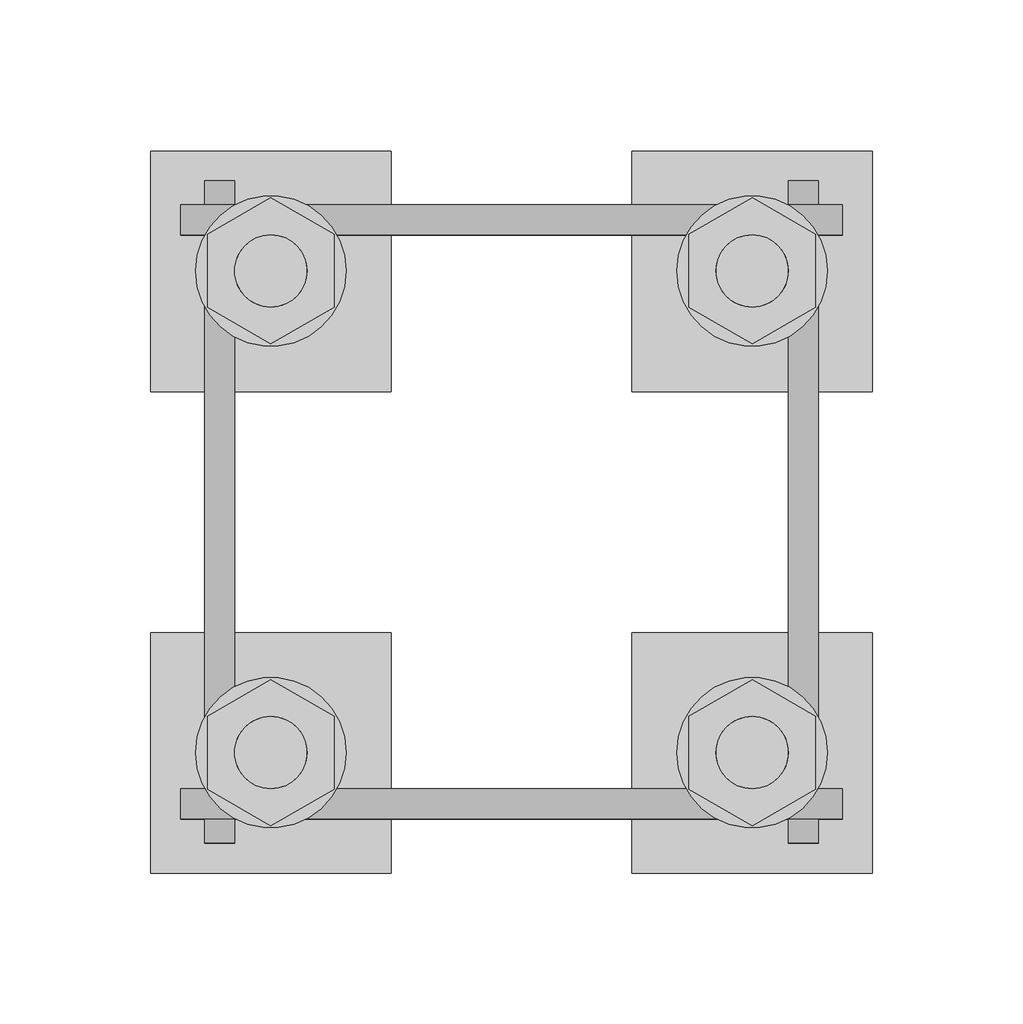
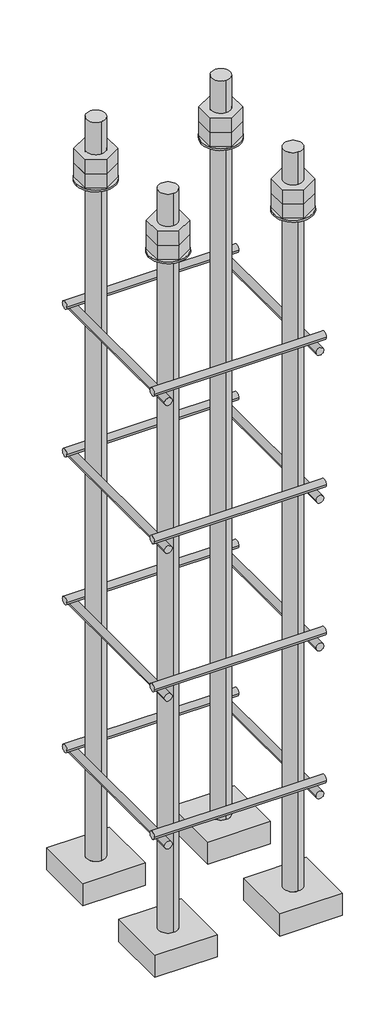
# One storey, part 16 of 66: 1 fastener.
"""IFC4 building model written with IfcOpenShell, lengths in millimetres."""

from ifc_helpers import new_model, si_unit, point, frame, frame_2d, origin, place, context, project, spatial, polyline, circle_curve, trimmed, segment, composite_curve, outline, extrude, element, save
from ifc_brep_helpers import plane_surface, cylinder_surface, advanced_brep

model = new_model("IFC4")

# Units and contexts
model_context = context("Model", 3, world=origin())
ifc_project = project(units=[si_unit("LENGTHUNIT", "METRE", prefix="MILLI")], contexts=[model_context])

# Site, building, storey
site = spatial("IfcSite", under=ifc_project)
building = spatial("IfcBuilding", under=site)
storey = spatial("IfcBuildingStorey", under=building, Elevation=9070.0)

# Fastener
placement = place(None, origin())
element("IfcFastener", 1, ObjectType="AU1 : AU-01", at=placement, inside=storey, context=model_context, shape_type="SolidModel", body=[
    extrude(outline(composite_curve([segment(trimmed(circle_curve(frame_2d((11343.0, 8595.0)), 5.0), [point((11338.0, 8595.0))], [point((11348.0, 8595.0))], False, "CARTESIAN"), True, "CONTINUOUS"), segment(trimmed(circle_curve(frame_2d((11343.0, 8595.0)), 5.0), [point((11348.0, 8595.0))], [point((11338.0, 8595.0))], False, "CARTESIAN"), True, "CONTINUOUS")], self_intersect=False)), frame((35040.0, 0.0, 0.0), z_axis=(1.0, 0.0, 0.0), x_axis=(0.0, 1.0, 0.0)), (0.0, 0.0, 1.0), 220.0),
    extrude(outline(composite_curve([segment(trimmed(circle_curve(frame_2d((11537.0, 8595.0)), 5.0), [point((11542.0, 8595.0))], [point((11532.0, 8595.0))], False, "CARTESIAN"), True, "CONTINUOUS"), segment(trimmed(circle_curve(frame_2d((11537.0, 8595.0)), 5.0), [point((11532.0, 8595.0))], [point((11542.0, 8595.0))], False, "CARTESIAN"), True, "CONTINUOUS")], self_intersect=False)), frame((35040.0, 0.0, 0.0), z_axis=(1.0, 0.0, 0.0), x_axis=(0.0, 1.0, 0.0)), (0.0, 0.0, 1.0), 220.0),
    extrude(outline(composite_curve([segment(trimmed(circle_curve(frame_2d((8585.0, 35053.0)), 5.0), [point((8585.0, 35048.0))], [point((8585.0, 35058.0))], False, "CARTESIAN"), True, "CONTINUOUS"), segment(trimmed(circle_curve(frame_2d((8585.0, 35053.0)), 5.0), [point((8585.0, 35058.0))], [point((8585.0, 35048.0))], False, "CARTESIAN"), True, "CONTINUOUS")], self_intersect=False)), frame((0.0, 11330.0, 0.0), z_axis=(0.0, 1.0, 0.0), x_axis=(0.0, 0.0, 1.0)), (0.0, 0.0, 1.0), 220.0),
    extrude(outline(composite_curve([segment(trimmed(circle_curve(frame_2d((8585.0, 35247.0)), 5.0), [point((8585.0, 35252.0))], [point((8585.0, 35242.0))], False, "CARTESIAN"), True, "CONTINUOUS"), segment(trimmed(circle_curve(frame_2d((8585.0, 35247.0)), 5.0), [point((8585.0, 35242.0))], [point((8585.0, 35252.0))], False, "CARTESIAN"), True, "CONTINUOUS")], self_intersect=False)), frame((0.0, 11330.0, 0.0), z_axis=(0.0, 1.0, 0.0), x_axis=(0.0, 0.0, 1.0)), (0.0, 0.0, 1.0), 220.0),
    extrude(outline(composite_curve([segment(trimmed(circle_curve(frame_2d((11343.0, 8795.0)), 5.0), [point((11338.0, 8795.0))], [point((11348.0, 8795.0))], False, "CARTESIAN"), True, "CONTINUOUS"), segment(trimmed(circle_curve(frame_2d((11343.0, 8795.0)), 5.0), [point((11348.0, 8795.0))], [point((11338.0, 8795.0))], False, "CARTESIAN"), True, "CONTINUOUS")], self_intersect=False)), frame((35040.0, 0.0, 0.0), z_axis=(1.0, 0.0, 0.0), x_axis=(0.0, 1.0, 0.0)), (0.0, 0.0, 1.0), 220.0),
    extrude(outline(composite_curve([segment(trimmed(circle_curve(frame_2d((11537.0, 8795.0)), 5.0), [point((11542.0, 8795.0))], [point((11532.0, 8795.0))], False, "CARTESIAN"), True, "CONTINUOUS"), segment(trimmed(circle_curve(frame_2d((11537.0, 8795.0)), 5.0), [point((11532.0, 8795.0))], [point((11542.0, 8795.0))], False, "CARTESIAN"), True, "CONTINUOUS")], self_intersect=False)), frame((35040.0, 0.0, 0.0), z_axis=(1.0, 0.0, 0.0), x_axis=(0.0, 1.0, 0.0)), (0.0, 0.0, 1.0), 220.0),
    extrude(outline(composite_curve([segment(trimmed(circle_curve(frame_2d((8785.0, 35053.0)), 5.0), [point((8785.0, 35048.0))], [point((8785.0, 35058.0))], False, "CARTESIAN"), True, "CONTINUOUS"), segment(trimmed(circle_curve(frame_2d((8785.0, 35053.0)), 5.0), [point((8785.0, 35058.0))], [point((8785.0, 35048.0))], False, "CARTESIAN"), True, "CONTINUOUS")], self_intersect=False)), frame((0.0, 11330.0, 0.0), z_axis=(0.0, 1.0, 0.0), x_axis=(0.0, 0.0, 1.0)), (0.0, 0.0, 1.0), 220.0),
    extrude(outline(composite_curve([segment(trimmed(circle_curve(frame_2d((8785.0, 35247.0)), 5.0), [point((8785.0, 35252.0))], [point((8785.0, 35242.0))], False, "CARTESIAN"), True, "CONTINUOUS"), segment(trimmed(circle_curve(frame_2d((8785.0, 35247.0)), 5.0), [point((8785.0, 35242.0))], [point((8785.0, 35252.0))], False, "CARTESIAN"), True, "CONTINUOUS")], self_intersect=False)), frame((0.0, 11330.0, 0.0), z_axis=(0.0, 1.0, 0.0), x_axis=(0.0, 0.0, 1.0)), (0.0, 0.0, 1.0), 220.0),
    extrude(outline(composite_curve([segment(trimmed(circle_curve(frame_2d((11343.0, 8995.0)), 5.0), [point((11338.0, 8995.0))], [point((11348.0, 8995.0))], False, "CARTESIAN"), True, "CONTINUOUS"), segment(trimmed(circle_curve(frame_2d((11343.0, 8995.0)), 5.0), [point((11348.0, 8995.0))], [point((11338.0, 8995.0))], False, "CARTESIAN"), True, "CONTINUOUS")], self_intersect=False)), frame((35040.0, 0.0, 0.0), z_axis=(1.0, 0.0, 0.0), x_axis=(0.0, 1.0, 0.0)), (0.0, 0.0, 1.0), 220.0),
    extrude(outline(composite_curve([segment(trimmed(circle_curve(frame_2d((11537.0, 8995.0)), 5.0), [point((11542.0, 8995.0))], [point((11532.0, 8995.0))], False, "CARTESIAN"), True, "CONTINUOUS"), segment(trimmed(circle_curve(frame_2d((11537.0, 8995.0)), 5.0), [point((11532.0, 8995.0))], [point((11542.0, 8995.0))], False, "CARTESIAN"), True, "CONTINUOUS")], self_intersect=False)), frame((35040.0, 0.0, 0.0), z_axis=(1.0, 0.0, 0.0), x_axis=(0.0, 1.0, 0.0)), (0.0, 0.0, 1.0), 220.0),
    extrude(outline(composite_curve([segment(trimmed(circle_curve(frame_2d((8985.0, 35053.0)), 5.0), [point((8985.0, 35048.0))], [point((8985.0, 35058.0))], False, "CARTESIAN"), True, "CONTINUOUS"), segment(trimmed(circle_curve(frame_2d((8985.0, 35053.0)), 5.0), [point((8985.0, 35058.0))], [point((8985.0, 35048.0))], False, "CARTESIAN"), True, "CONTINUOUS")], self_intersect=False)), frame((0.0, 11330.0, 0.0), z_axis=(0.0, 1.0, 0.0), x_axis=(0.0, 0.0, 1.0)), (0.0, 0.0, 1.0), 220.0),
    extrude(outline(composite_curve([segment(trimmed(circle_curve(frame_2d((8985.0, 35247.0)), 5.0), [point((8985.0, 35252.0))], [point((8985.0, 35242.0))], False, "CARTESIAN"), True, "CONTINUOUS"), segment(trimmed(circle_curve(frame_2d((8985.0, 35247.0)), 5.0), [point((8985.0, 35242.0))], [point((8985.0, 35252.0))], False, "CARTESIAN"), True, "CONTINUOUS")], self_intersect=False)), frame((0.0, 11330.0, 0.0), z_axis=(0.0, 1.0, 0.0), x_axis=(0.0, 0.0, 1.0)), (0.0, 0.0, 1.0), 220.0),
    extrude(outline(composite_curve([segment(trimmed(circle_curve(frame_2d((11343.0, 9195.0)), 5.0), [point((11338.0, 9195.0))], [point((11348.0, 9195.0))], False, "CARTESIAN"), True, "CONTINUOUS"), segment(trimmed(circle_curve(frame_2d((11343.0, 9195.0)), 5.0), [point((11348.0, 9195.0))], [point((11338.0, 9195.0))], False, "CARTESIAN"), True, "CONTINUOUS")], self_intersect=False)), frame((35040.0, 0.0, 0.0), z_axis=(1.0, 0.0, 0.0), x_axis=(0.0, 1.0, 0.0)), (0.0, 0.0, 1.0), 220.0),
    extrude(outline(composite_curve([segment(trimmed(circle_curve(frame_2d((11537.0, 9195.0)), 5.0), [point((11542.0, 9195.0))], [point((11532.0, 9195.0))], False, "CARTESIAN"), True, "CONTINUOUS"), segment(trimmed(circle_curve(frame_2d((11537.0, 9195.0)), 5.0), [point((11532.0, 9195.0))], [point((11542.0, 9195.0))], False, "CARTESIAN"), True, "CONTINUOUS")], self_intersect=False)), frame((35040.0, 0.0, 0.0), z_axis=(1.0, 0.0, 0.0), x_axis=(0.0, 1.0, 0.0)), (0.0, 0.0, 1.0), 220.0),
    extrude(outline(composite_curve([segment(trimmed(circle_curve(frame_2d((9185.0, 35053.0)), 5.0), [point((9185.0, 35048.0))], [point((9185.0, 35058.0))], False, "CARTESIAN"), True, "CONTINUOUS"), segment(trimmed(circle_curve(frame_2d((9185.0, 35053.0)), 5.0), [point((9185.0, 35058.0))], [point((9185.0, 35048.0))], False, "CARTESIAN"), True, "CONTINUOUS")], self_intersect=False)), frame((0.0, 11330.0, 0.0), z_axis=(0.0, 1.0, 0.0), x_axis=(0.0, 0.0, 1.0)), (0.0, 0.0, 1.0), 220.0),
    extrude(outline(composite_curve([segment(trimmed(circle_curve(frame_2d((9185.0, 35247.0)), 5.0), [point((9185.0, 35252.0))], [point((9185.0, 35242.0))], False, "CARTESIAN"), True, "CONTINUOUS"), segment(trimmed(circle_curve(frame_2d((9185.0, 35247.0)), 5.0), [point((9185.0, 35242.0))], [point((9185.0, 35252.0))], False, "CARTESIAN"), True, "CONTINUOUS")], self_intersect=False)), frame((0.0, 11330.0, 0.0), z_axis=(0.0, 1.0, 0.0), x_axis=(0.0, 0.0, 1.0)), (0.0, 0.0, 1.0), 220.0),
    advanced_brep(
    [(35110.0, 11560.0, 8450.0), (35030.0, 11560.0, 8450.0), (35030.0, 11480.0, 8450.0), (35110.0, 11480.0, 8450.0), (35070.0, 11508.0, 8450.0), (35070.0, 11532.0, 8450.0), (35110.0, 11560.0, 8420.0), (35110.0, 11480.0, 8420.0), (35030.0, 11480.0, 8420.0), (35030.0, 11560.0, 8420.0), (35070.0, 11532.0, 9450.0), (35070.0, 11508.0, 9450.0)],
    [
        (0, 1),
        (1, 2),
        (2, 3),
        (3, 0),
        (4, 5, circle_curve(frame((35070.0, 11520.0, 8450.0), z_axis=(0.0, 0.0, -1.0), x_axis=(0.0, -1.0, 0.0)), 12.0)),
        (5, 4, circle_curve(frame((35070.0, 11520.0, 8450.0), z_axis=(0.0, 0.0, -1.0), x_axis=(0.0, -1.0, 0.0)), 12.0)),
        (6, 7),
        (7, 8),
        (8, 9),
        (9, 6),
        (0, 6),
        (9, 1),
        (8, 2),
        (7, 3),
        (10, 11, circle_curve(frame((35070.0, 11520.0, 9450.0), z_axis=(0.0, 0.0, 1.0), x_axis=(0.0, -1.0, 0.0)), 12.0)),
        (11, 10, circle_curve(frame((35070.0, 11520.0, 9450.0), z_axis=(0.0, 0.0, 1.0), x_axis=(0.0, -1.0, 0.0)), 12.0)),
        (10, 5),
        (4, 11),
    ],
    [
        plane_surface(frame((35030.0, 11560.0, 8450.0), z_axis=(0.0, 0.0, 1.0), x_axis=(-1.0, 0.0, 0.0))),
        plane_surface(frame((35030.0, 11560.0, 8420.0), z_axis=(0.0, 0.0, -1.0), x_axis=(1.0, 0.0, 0.0))),
        plane_surface(frame((35110.0, 11560.0, 8450.0), z_axis=(0.0, 1.0, 0.0), x_axis=(0.0, 0.0, -1.0))),
        plane_surface(frame((35030.0, 11560.0, 8450.0), z_axis=(-1.0, 0.0, 0.0), x_axis=(0.0, 0.0, -1.0))),
        plane_surface(frame((35030.0, 11480.0, 8450.0), z_axis=(0.0, -1.0, 0.0), x_axis=(0.0, 0.0, -1.0))),
        plane_surface(frame((35110.0, 11480.0, 8450.0), z_axis=(1.0, 0.0, 0.0), x_axis=(0.0, 0.0, -1.0))),
        plane_surface(frame((35070.0, 11520.0, 9450.0), z_axis=(0.0, 0.0, 1.0), x_axis=(0.0, -1.0, 0.0))),
        cylinder_surface(frame((35070.0, 11520.0, 9450.0), z_axis=(0.0, 0.0, 1.0), x_axis=(0.0, -1.0, 0.0)), 12.0),
    ],
    [
        (0, [[1, 2, 3, 4], [5, 6]]),
        (1, [[7, 8, 9, 10]]),
        (2, [[-1, 11, -10, 12]]),
        (3, [[-2, -12, -9, 13]]),
        (4, [[-3, -13, -8, 14]]),
        (5, [[-4, -14, -7, -11]]),
        (6, [[15, 16]]),
        (7, [[-15, 17, -5, 18]]),
        (7, [[-16, -18, -6, -17]]),
    ],
),
    extrude(outline(composite_curve([segment(trimmed(circle_curve(frame_2d((35070.0, 11520.0)), 25.0), [point((35095.0, 11520.0))], [point((35045.0, 11520.0))], False, "CARTESIAN"), True, "CONTINUOUS"), segment(trimmed(circle_curve(frame_2d((35070.0, 11520.0)), 25.0), [point((35045.0, 11520.0))], [point((35095.0, 11520.0))], False, "CARTESIAN"), True, "CONTINUOUS")], self_intersect=False), holes=[composite_curve([segment(trimmed(circle_curve(frame_2d((35070.0, 11520.0)), 12.0), [point((35082.0, 11520.0))], [point((35058.0, 11520.0))], True, "CARTESIAN"), True, "CONTINUOUS"), segment(trimmed(circle_curve(frame_2d((35070.0, 11520.0)), 12.0), [point((35058.0, 11520.0))], [point((35082.0, 11520.0))], True, "CARTESIAN"), True, "CONTINUOUS")], self_intersect=False)]), frame((0.0, 0.0, 9365.0), z_axis=(0.0, 0.0, 1.0), x_axis=(1.0, 0.0, 0.0)), (0.0, 0.0, 1.0), 2.5),
    extrude(outline(polyline([(35070.0, 11544.2487113), (35091.0, 11532.1243557), (35091.0, 11507.8756443), (35070.0, 11495.7512887), (35049.0, 11507.8756443), (35049.0, 11532.1243557), (35070.0, 11544.2487113)]), holes=[composite_curve([segment(trimmed(circle_curve(frame_2d((35070.0, 11520.0)), 12.0), [point((35082.0, 11520.0))], [point((35058.0, 11520.0))], True, "CARTESIAN"), True, "CONTINUOUS"), segment(trimmed(circle_curve(frame_2d((35070.0, 11520.0)), 12.0), [point((35058.0, 11520.0))], [point((35082.0, 11520.0))], True, "CARTESIAN"), True, "CONTINUOUS")], self_intersect=False)]), frame((0.0, 0.0, 9387.0), z_axis=(0.0, 0.0, 1.0), x_axis=(1.0, 0.0, 0.0)), (0.0, 0.0, 1.0), 19.5),
    extrude(outline(polyline([(35070.0, 11544.2487113), (35091.0, 11532.1243557), (35091.0, 11507.8756443), (35070.0, 11495.7512887), (35049.0, 11507.8756443), (35049.0, 11532.1243557), (35070.0, 11544.2487113)]), holes=[composite_curve([segment(trimmed(circle_curve(frame_2d((35070.0, 11520.0)), 12.0), [point((35082.0, 11520.0))], [point((35058.0, 11520.0))], True, "CARTESIAN"), True, "CONTINUOUS"), segment(trimmed(circle_curve(frame_2d((35070.0, 11520.0)), 12.0), [point((35058.0, 11520.0))], [point((35082.0, 11520.0))], True, "CARTESIAN"), True, "CONTINUOUS")], self_intersect=False)]), frame((0.0, 0.0, 9367.5), z_axis=(0.0, 0.0, 1.0), x_axis=(1.0, 0.0, 0.0)), (0.0, 0.0, 1.0), 19.5),
    advanced_brep(
    [(35190.0, 11480.0, 8450.0), (35270.0, 11480.0, 8450.0), (35270.0, 11560.0, 8450.0), (35190.0, 11560.0, 8450.0), (35230.0, 11532.0, 8450.0), (35230.0, 11508.0, 8450.0), (35190.0, 11480.0, 8420.0), (35190.0, 11560.0, 8420.0), (35270.0, 11560.0, 8420.0), (35270.0, 11480.0, 8420.0), (35230.0, 11508.0, 9450.0), (35230.0, 11532.0, 9450.0)],
    [
        (0, 1),
        (1, 2),
        (2, 3),
        (3, 0),
        (4, 5, circle_curve(frame((35230.0, 11520.0, 8450.0), z_axis=(0.0, 0.0, -1.0), x_axis=(0.0, 1.0, 0.0)), 12.0)),
        (5, 4, circle_curve(frame((35230.0, 11520.0, 8450.0), z_axis=(0.0, 0.0, -1.0), x_axis=(0.0, 1.0, 0.0)), 12.0)),
        (6, 7),
        (7, 8),
        (8, 9),
        (9, 6),
        (0, 6),
        (9, 1),
        (8, 2),
        (7, 3),
        (10, 11, circle_curve(frame((35230.0, 11520.0, 9450.0), z_axis=(0.0, 0.0, 1.0), x_axis=(0.0, 1.0, 0.0)), 12.0)),
        (11, 10, circle_curve(frame((35230.0, 11520.0, 9450.0), z_axis=(0.0, 0.0, 1.0), x_axis=(0.0, 1.0, 0.0)), 12.0)),
        (10, 5),
        (4, 11),
    ],
    [
        plane_surface(frame((35270.0, 11480.0, 8450.0), z_axis=(0.0, 0.0, 1.0), x_axis=(1.0, 0.0, 0.0))),
        plane_surface(frame((35270.0, 11480.0, 8420.0), z_axis=(0.0, 0.0, -1.0), x_axis=(-1.0, 0.0, 0.0))),
        plane_surface(frame((35190.0, 11480.0, 8450.0), z_axis=(0.0, -1.0, 0.0), x_axis=(0.0, 0.0, -1.0))),
        plane_surface(frame((35270.0, 11480.0, 8450.0), z_axis=(1.0, 0.0, 0.0), x_axis=(0.0, 0.0, -1.0))),
        plane_surface(frame((35270.0, 11560.0, 8450.0), z_axis=(0.0, 1.0, 0.0), x_axis=(0.0, 0.0, -1.0))),
        plane_surface(frame((35190.0, 11560.0, 8450.0), z_axis=(-1.0, 0.0, 0.0), x_axis=(0.0, 0.0, -1.0))),
        plane_surface(frame((35230.0, 11520.0, 9450.0), z_axis=(0.0, 0.0, 1.0), x_axis=(0.0, 1.0, 0.0))),
        cylinder_surface(frame((35230.0, 11520.0, 9450.0), z_axis=(0.0, 0.0, 1.0), x_axis=(0.0, 1.0, 0.0)), 12.0),
    ],
    [
        (0, [[1, 2, 3, 4], [5, 6]]),
        (1, [[7, 8, 9, 10]]),
        (2, [[-1, 11, -10, 12]]),
        (3, [[-2, -12, -9, 13]]),
        (4, [[-3, -13, -8, 14]]),
        (5, [[-4, -14, -7, -11]]),
        (6, [[15, 16]]),
        (7, [[-15, 17, -5, 18]]),
        (7, [[-16, -18, -6, -17]]),
    ],
),
    extrude(outline(composite_curve([segment(trimmed(circle_curve(frame_2d((35230.0, 11520.0)), 25.0), [point((35205.0, 11520.0))], [point((35255.0, 11520.0))], False, "CARTESIAN"), True, "CONTINUOUS"), segment(trimmed(circle_curve(frame_2d((35230.0, 11520.0)), 25.0), [point((35255.0, 11520.0))], [point((35205.0, 11520.0))], False, "CARTESIAN"), True, "CONTINUOUS")], self_intersect=False), holes=[composite_curve([segment(trimmed(circle_curve(frame_2d((35230.0, 11520.0)), 12.0), [point((35218.0, 11520.0))], [point((35242.0, 11520.0))], True, "CARTESIAN"), True, "CONTINUOUS"), segment(trimmed(circle_curve(frame_2d((35230.0, 11520.0)), 12.0), [point((35242.0, 11520.0))], [point((35218.0, 11520.0))], True, "CARTESIAN"), True, "CONTINUOUS")], self_intersect=False)]), frame((0.0, 0.0, 9365.0), z_axis=(0.0, 0.0, 1.0), x_axis=(1.0, 0.0, 0.0)), (0.0, 0.0, 1.0), 2.5),
    extrude(outline(polyline([(35230.0, 11495.7512887), (35209.0, 11507.8756443), (35209.0, 11532.1243557), (35230.0, 11544.2487113), (35251.0, 11532.1243557), (35251.0, 11507.8756443), (35230.0, 11495.7512887)]), holes=[composite_curve([segment(trimmed(circle_curve(frame_2d((35230.0, 11520.0)), 12.0), [point((35218.0, 11520.0))], [point((35242.0, 11520.0))], True, "CARTESIAN"), True, "CONTINUOUS"), segment(trimmed(circle_curve(frame_2d((35230.0, 11520.0)), 12.0), [point((35242.0, 11520.0))], [point((35218.0, 11520.0))], True, "CARTESIAN"), True, "CONTINUOUS")], self_intersect=False)]), frame((0.0, 0.0, 9387.0), z_axis=(0.0, 0.0, 1.0), x_axis=(1.0, 0.0, 0.0)), (0.0, 0.0, 1.0), 19.5),
    extrude(outline(polyline([(35230.0, 11495.7512887), (35209.0, 11507.8756443), (35209.0, 11532.1243557), (35230.0, 11544.2487113), (35251.0, 11532.1243557), (35251.0, 11507.8756443), (35230.0, 11495.7512887)]), holes=[composite_curve([segment(trimmed(circle_curve(frame_2d((35230.0, 11520.0)), 12.0), [point((35218.0, 11520.0))], [point((35242.0, 11520.0))], True, "CARTESIAN"), True, "CONTINUOUS"), segment(trimmed(circle_curve(frame_2d((35230.0, 11520.0)), 12.0), [point((35242.0, 11520.0))], [point((35218.0, 11520.0))], True, "CARTESIAN"), True, "CONTINUOUS")], self_intersect=False)]), frame((0.0, 0.0, 9367.5), z_axis=(0.0, 0.0, 1.0), x_axis=(1.0, 0.0, 0.0)), (0.0, 0.0, 1.0), 19.5),
    advanced_brep(
    [(35190.0, 11320.0, 8450.0), (35270.0, 11320.0, 8450.0), (35270.0, 11400.0, 8450.0), (35190.0, 11400.0, 8450.0), (35230.0, 11372.0, 8450.0), (35230.0, 11348.0, 8450.0), (35190.0, 11320.0, 8420.0), (35190.0, 11400.0, 8420.0), (35270.0, 11400.0, 8420.0), (35270.0, 11320.0, 8420.0), (35230.0, 11348.0, 9450.0), (35230.0, 11372.0, 9450.0)],
    [
        (0, 1),
        (1, 2),
        (2, 3),
        (3, 0),
        (4, 5, circle_curve(frame((35230.0, 11360.0, 8450.0), z_axis=(0.0, 0.0, -1.0), x_axis=(0.0, 1.0, 0.0)), 12.0)),
        (5, 4, circle_curve(frame((35230.0, 11360.0, 8450.0), z_axis=(0.0, 0.0, -1.0), x_axis=(0.0, 1.0, 0.0)), 12.0)),
        (6, 7),
        (7, 8),
        (8, 9),
        (9, 6),
        (0, 6),
        (9, 1),
        (8, 2),
        (7, 3),
        (10, 11, circle_curve(frame((35230.0, 11360.0, 9450.0), z_axis=(0.0, 0.0, 1.0), x_axis=(0.0, 1.0, 0.0)), 12.0)),
        (11, 10, circle_curve(frame((35230.0, 11360.0, 9450.0), z_axis=(0.0, 0.0, 1.0), x_axis=(0.0, 1.0, 0.0)), 12.0)),
        (10, 5),
        (4, 11),
    ],
    [
        plane_surface(frame((35270.0, 11320.0, 8450.0), z_axis=(0.0, 0.0, 1.0), x_axis=(1.0, 0.0, 0.0))),
        plane_surface(frame((35270.0, 11320.0, 8420.0), z_axis=(0.0, 0.0, -1.0), x_axis=(-1.0, 0.0, 0.0))),
        plane_surface(frame((35190.0, 11320.0, 8450.0), z_axis=(0.0, -1.0, 0.0), x_axis=(0.0, 0.0, -1.0))),
        plane_surface(frame((35270.0, 11320.0, 8450.0), z_axis=(1.0, 0.0, 0.0), x_axis=(0.0, 0.0, -1.0))),
        plane_surface(frame((35270.0, 11400.0, 8450.0), z_axis=(0.0, 1.0, 0.0), x_axis=(0.0, 0.0, -1.0))),
        plane_surface(frame((35190.0, 11400.0, 8450.0), z_axis=(-1.0, 0.0, 0.0), x_axis=(0.0, 0.0, -1.0))),
        plane_surface(frame((35230.0, 11360.0, 9450.0), z_axis=(0.0, 0.0, 1.0), x_axis=(0.0, 1.0, 0.0))),
        cylinder_surface(frame((35230.0, 11360.0, 9450.0), z_axis=(0.0, 0.0, 1.0), x_axis=(0.0, 1.0, 0.0)), 12.0),
    ],
    [
        (0, [[1, 2, 3, 4], [5, 6]]),
        (1, [[7, 8, 9, 10]]),
        (2, [[-1, 11, -10, 12]]),
        (3, [[-2, -12, -9, 13]]),
        (4, [[-3, -13, -8, 14]]),
        (5, [[-4, -14, -7, -11]]),
        (6, [[15, 16]]),
        (7, [[-15, 17, -5, 18]]),
        (7, [[-16, -18, -6, -17]]),
    ],
),
    extrude(outline(composite_curve([segment(trimmed(circle_curve(frame_2d((35230.0, 11360.0)), 25.0), [point((35205.0, 11360.0))], [point((35255.0, 11360.0))], False, "CARTESIAN"), True, "CONTINUOUS"), segment(trimmed(circle_curve(frame_2d((35230.0, 11360.0)), 25.0), [point((35255.0, 11360.0))], [point((35205.0, 11360.0))], False, "CARTESIAN"), True, "CONTINUOUS")], self_intersect=False), holes=[composite_curve([segment(trimmed(circle_curve(frame_2d((35230.0, 11360.0)), 12.0), [point((35218.0, 11360.0))], [point((35242.0, 11360.0))], True, "CARTESIAN"), True, "CONTINUOUS"), segment(trimmed(circle_curve(frame_2d((35230.0, 11360.0)), 12.0), [point((35242.0, 11360.0))], [point((35218.0, 11360.0))], True, "CARTESIAN"), True, "CONTINUOUS")], self_intersect=False)]), frame((0.0, 0.0, 9365.0), z_axis=(0.0, 0.0, 1.0), x_axis=(1.0, 0.0, 0.0)), (0.0, 0.0, 1.0), 2.5),
    extrude(outline(polyline([(35230.0, 11335.7512887), (35209.0, 11347.8756443), (35209.0, 11372.1243557), (35230.0, 11384.2487113), (35251.0, 11372.1243557), (35251.0, 11347.8756443), (35230.0, 11335.7512887)]), holes=[composite_curve([segment(trimmed(circle_curve(frame_2d((35230.0, 11360.0)), 12.0), [point((35218.0, 11360.0))], [point((35242.0, 11360.0))], True, "CARTESIAN"), True, "CONTINUOUS"), segment(trimmed(circle_curve(frame_2d((35230.0, 11360.0)), 12.0), [point((35242.0, 11360.0))], [point((35218.0, 11360.0))], True, "CARTESIAN"), True, "CONTINUOUS")], self_intersect=False)]), frame((0.0, 0.0, 9387.0), z_axis=(0.0, 0.0, 1.0), x_axis=(1.0, 0.0, 0.0)), (0.0, 0.0, 1.0), 19.5),
    extrude(outline(polyline([(35230.0, 11335.7512887), (35209.0, 11347.8756443), (35209.0, 11372.1243557), (35230.0, 11384.2487113), (35251.0, 11372.1243557), (35251.0, 11347.8756443), (35230.0, 11335.7512887)]), holes=[composite_curve([segment(trimmed(circle_curve(frame_2d((35230.0, 11360.0)), 12.0), [point((35218.0, 11360.0))], [point((35242.0, 11360.0))], True, "CARTESIAN"), True, "CONTINUOUS"), segment(trimmed(circle_curve(frame_2d((35230.0, 11360.0)), 12.0), [point((35242.0, 11360.0))], [point((35218.0, 11360.0))], True, "CARTESIAN"), True, "CONTINUOUS")], self_intersect=False)]), frame((0.0, 0.0, 9367.5), z_axis=(0.0, 0.0, 1.0), x_axis=(1.0, 0.0, 0.0)), (0.0, 0.0, 1.0), 19.5),
    advanced_brep(
    [(35110.0, 11400.0, 8450.0), (35030.0, 11400.0, 8450.0), (35030.0, 11320.0, 8450.0), (35110.0, 11320.0, 8450.0), (35070.0, 11348.0, 8450.0), (35070.0, 11372.0, 8450.0), (35110.0, 11400.0, 8420.0), (35110.0, 11320.0, 8420.0), (35030.0, 11320.0, 8420.0), (35030.0, 11400.0, 8420.0), (35070.0, 11372.0, 9450.0), (35070.0, 11348.0, 9450.0)],
    [
        (0, 1),
        (1, 2),
        (2, 3),
        (3, 0),
        (4, 5, circle_curve(frame((35070.0, 11360.0, 8450.0), z_axis=(0.0, 0.0, -1.0), x_axis=(0.0, -1.0, 0.0)), 12.0)),
        (5, 4, circle_curve(frame((35070.0, 11360.0, 8450.0), z_axis=(0.0, 0.0, -1.0), x_axis=(0.0, -1.0, 0.0)), 12.0)),
        (6, 7),
        (7, 8),
        (8, 9),
        (9, 6),
        (0, 6),
        (9, 1),
        (8, 2),
        (7, 3),
        (10, 11, circle_curve(frame((35070.0, 11360.0, 9450.0), z_axis=(0.0, 0.0, 1.0), x_axis=(0.0, -1.0, 0.0)), 12.0)),
        (11, 10, circle_curve(frame((35070.0, 11360.0, 9450.0), z_axis=(0.0, 0.0, 1.0), x_axis=(0.0, -1.0, 0.0)), 12.0)),
        (10, 5),
        (4, 11),
    ],
    [
        plane_surface(frame((35030.0, 11400.0, 8450.0), z_axis=(0.0, 0.0, 1.0), x_axis=(-1.0, 0.0, 0.0))),
        plane_surface(frame((35030.0, 11400.0, 8420.0), z_axis=(0.0, 0.0, -1.0), x_axis=(1.0, 0.0, 0.0))),
        plane_surface(frame((35110.0, 11400.0, 8450.0), z_axis=(0.0, 1.0, 0.0), x_axis=(0.0, 0.0, -1.0))),
        plane_surface(frame((35030.0, 11400.0, 8450.0), z_axis=(-1.0, 0.0, 0.0), x_axis=(0.0, 0.0, -1.0))),
        plane_surface(frame((35030.0, 11320.0, 8450.0), z_axis=(0.0, -1.0, 0.0), x_axis=(0.0, 0.0, -1.0))),
        plane_surface(frame((35110.0, 11320.0, 8450.0), z_axis=(1.0, 0.0, 0.0), x_axis=(0.0, 0.0, -1.0))),
        plane_surface(frame((35070.0, 11360.0, 9450.0), z_axis=(0.0, 0.0, 1.0), x_axis=(0.0, -1.0, 0.0))),
        cylinder_surface(frame((35070.0, 11360.0, 9450.0), z_axis=(0.0, 0.0, 1.0), x_axis=(0.0, -1.0, 0.0)), 12.0),
    ],
    [
        (0, [[1, 2, 3, 4], [5, 6]]),
        (1, [[7, 8, 9, 10]]),
        (2, [[-1, 11, -10, 12]]),
        (3, [[-2, -12, -9, 13]]),
        (4, [[-3, -13, -8, 14]]),
        (5, [[-4, -14, -7, -11]]),
        (6, [[15, 16]]),
        (7, [[-15, 17, -5, 18]]),
        (7, [[-16, -18, -6, -17]]),
    ],
),
    extrude(outline(composite_curve([segment(trimmed(circle_curve(frame_2d((35070.0, 11360.0)), 25.0), [point((35095.0, 11360.0))], [point((35045.0, 11360.0))], False, "CARTESIAN"), True, "CONTINUOUS"), segment(trimmed(circle_curve(frame_2d((35070.0, 11360.0)), 25.0), [point((35045.0, 11360.0))], [point((35095.0, 11360.0))], False, "CARTESIAN"), True, "CONTINUOUS")], self_intersect=False), holes=[composite_curve([segment(trimmed(circle_curve(frame_2d((35070.0, 11360.0)), 12.0), [point((35082.0, 11360.0))], [point((35058.0, 11360.0))], True, "CARTESIAN"), True, "CONTINUOUS"), segment(trimmed(circle_curve(frame_2d((35070.0, 11360.0)), 12.0), [point((35058.0, 11360.0))], [point((35082.0, 11360.0))], True, "CARTESIAN"), True, "CONTINUOUS")], self_intersect=False)]), frame((0.0, 0.0, 9365.0), z_axis=(0.0, 0.0, 1.0), x_axis=(1.0, 0.0, 0.0)), (0.0, 0.0, 1.0), 2.5),
    extrude(outline(polyline([(35070.0, 11384.2487113), (35091.0, 11372.1243557), (35091.0, 11347.8756443), (35070.0, 11335.7512887), (35049.0, 11347.8756443), (35049.0, 11372.1243557), (35070.0, 11384.2487113)]), holes=[composite_curve([segment(trimmed(circle_curve(frame_2d((35070.0, 11360.0)), 12.0), [point((35082.0, 11360.0))], [point((35058.0, 11360.0))], True, "CARTESIAN"), True, "CONTINUOUS"), segment(trimmed(circle_curve(frame_2d((35070.0, 11360.0)), 12.0), [point((35058.0, 11360.0))], [point((35082.0, 11360.0))], True, "CARTESIAN"), True, "CONTINUOUS")], self_intersect=False)]), frame((0.0, 0.0, 9387.0), z_axis=(0.0, 0.0, 1.0), x_axis=(1.0, 0.0, 0.0)), (0.0, 0.0, 1.0), 19.5),
    extrude(outline(polyline([(35070.0, 11384.2487113), (35091.0, 11372.1243557), (35091.0, 11347.8756443), (35070.0, 11335.7512887), (35049.0, 11347.8756443), (35049.0, 11372.1243557), (35070.0, 11384.2487113)]), holes=[composite_curve([segment(trimmed(circle_curve(frame_2d((35070.0, 11360.0)), 12.0), [point((35082.0, 11360.0))], [point((35058.0, 11360.0))], True, "CARTESIAN"), True, "CONTINUOUS"), segment(trimmed(circle_curve(frame_2d((35070.0, 11360.0)), 12.0), [point((35058.0, 11360.0))], [point((35082.0, 11360.0))], True, "CARTESIAN"), True, "CONTINUOUS")], self_intersect=False)]), frame((0.0, 0.0, 9367.5), z_axis=(0.0, 0.0, 1.0), x_axis=(1.0, 0.0, 0.0)), (0.0, 0.0, 1.0), 19.5),
])

save(model, "model.ifc")
